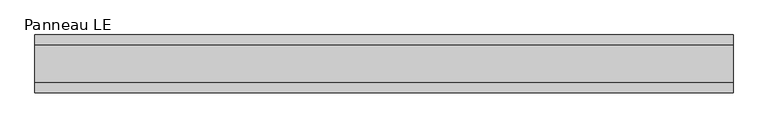
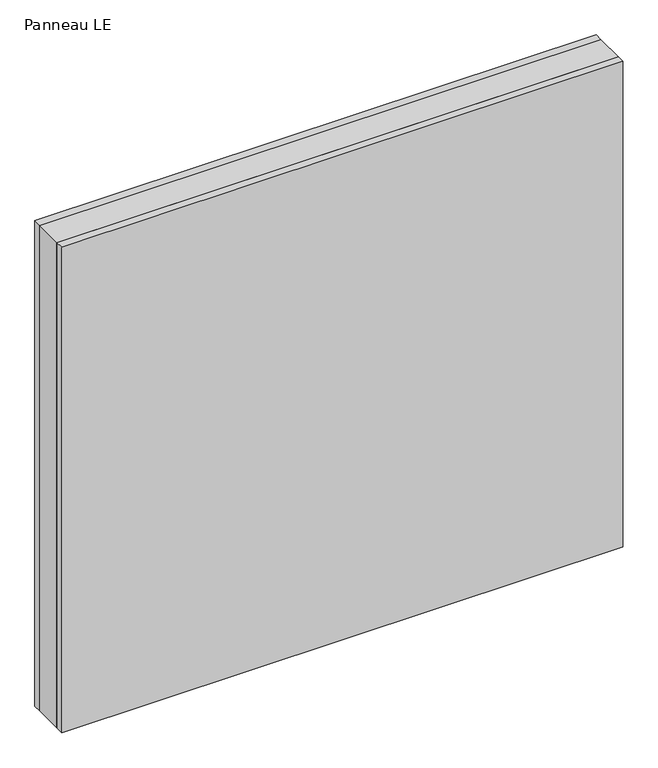
"""IFC4 building model written with IfcOpenShell, lengths in millimetres: plate geometry, Panneau LE."""

from ifc_helpers import new_model, si_unit, origin, origin_with_axes, place, context, project, spatial, polyline, outline, extrude, source, transform, mapped, element, save


def panneau_le_25a969c6(model_context):
    return source(origin(), model_context, "Body", "SweptSolid", [
        extrude(outline(polyline([(544.8750001, 29.0), (544.8750001, -29.0), (-544.8750001, -29.0), (-544.8750001, 29.0), (544.8750001, 29.0)])), origin_with_axes(), (0.0, 0.0, 1.0), 997.0),
        extrude(outline(polyline([(544.8750001, 45.0), (544.8750001, 29.0), (-544.8750001, 29.0), (-544.8750001, 45.0), (544.8750001, 45.0)])), origin_with_axes(), (0.0, 0.0, 1.0), 997.0),
        extrude(outline(polyline([(-544.8750001, -45.0), (-544.8750001, -29.0), (544.8750001, -29.0), (544.8750001, -45.0), (-544.8750001, -45.0)])), origin_with_axes(), (0.0, 0.0, 1.0), 997.0),
    ])


if __name__ == "__main__":
    model = new_model("IFC4")
    model_context = context("Model", 3, world=origin())
    ifc_project = project(units=[si_unit("LENGTHUNIT", "METRE", prefix="MILLI")], contexts=[model_context])
    site = spatial("IfcSite", under=ifc_project)
    building = spatial("IfcBuilding", under=site)
    placement = place(None, origin())
    panneau_le_shape = panneau_le_25a969c6(model_context)
    element("IfcPlate", 1, ObjectType="Panneau LE", at=placement, inside=building, context=model_context, shape_type="MappedRepresentation", body=[
        mapped(panneau_le_shape, transform((0.0, 0.0, 0.0), x_axis=(1.0, 0.0, 0.0), y_axis=(0.0, 1.0, 0.0), z_axis=(0.0, 0.0, 1.0))),
    ])
    save(model, "model.ifc")
